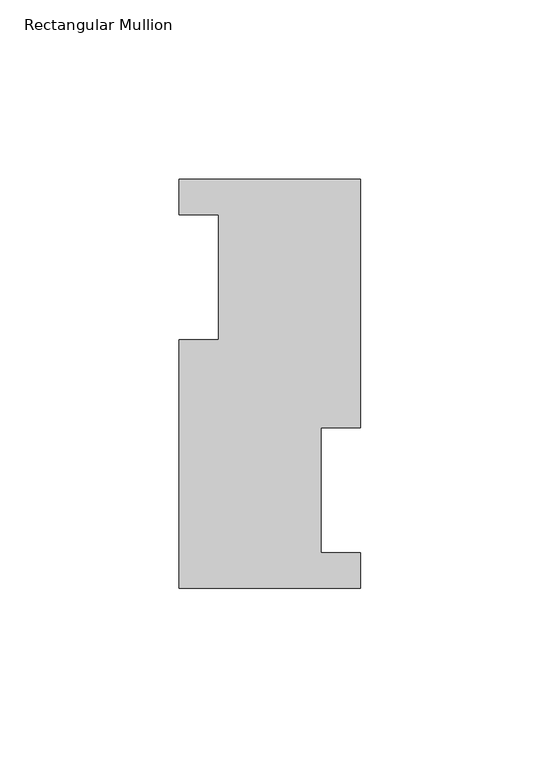
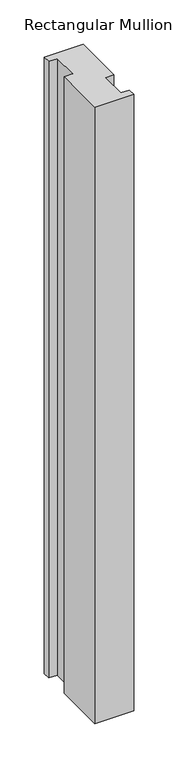
"""IFC4 building model written with IfcOpenShell, lengths in millimetres: member geometry, Rectangular Mullion."""

from ifc_helpers import new_model, si_unit, frame, origin, place, context, project, spatial, polyline, outline, extrude, source, transform, mapped, element, save


def rectangular_mullion_413ec0e2(model_context):
    return source(origin(), model_context, "Body", "SweptSolid", [
        extrude(outline(polyline([(25.4, 114.0729875), (25.4, 44.6039875), (14.2875, 44.6039875), (14.2875, 9.6789875), (25.4, 9.6789875), (25.4, -0.2270125), (-25.4, -0.2270125), (-25.4, 69.2419875), (-14.2875, 69.2419875), (-14.2875, 104.1669875), (-25.4, 104.1669875), (-25.4, 114.0729875), (25.4, 114.0729875)])), frame((0.0, 0.0, -850.9), z_axis=(0.0, 0.0, 1.0), x_axis=(1.0, 0.0, 0.0)), (0.0, 0.0, 1.0), 850.9),
    ])


if __name__ == "__main__":
    model = new_model("IFC4")
    model_context = context("Model", 3, world=origin())
    ifc_project = project(units=[si_unit("LENGTHUNIT", "METRE", prefix="MILLI")], contexts=[model_context])
    site = spatial("IfcSite", under=ifc_project)
    building = spatial("IfcBuilding", under=site)
    placement = place(None, origin())
    rectangular_mullion_shape = rectangular_mullion_413ec0e2(model_context)
    element("IfcMember", 1, ObjectType="Rectangular Mullion", at=placement, inside=building, context=model_context, shape_type="MappedRepresentation", body=[
        mapped(rectangular_mullion_shape, transform((0.0, 0.0, 0.0), x_axis=(1.0, 0.0, 0.0), y_axis=(0.0, 1.0, 0.0), z_axis=(0.0, 0.0, 1.0))),
    ])
    save(model, "model.ifc")
